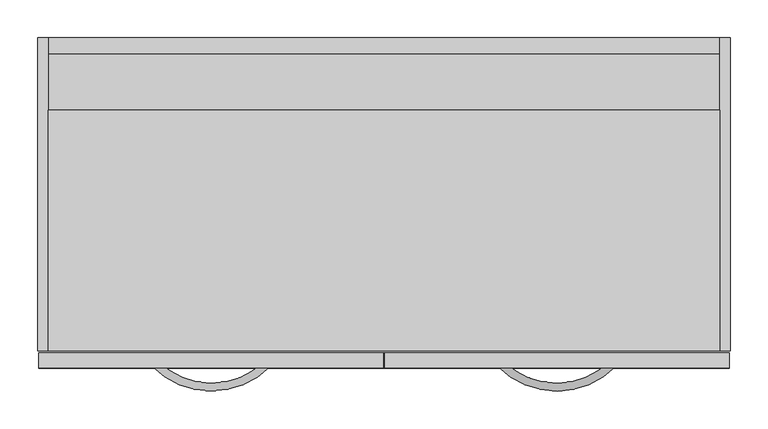
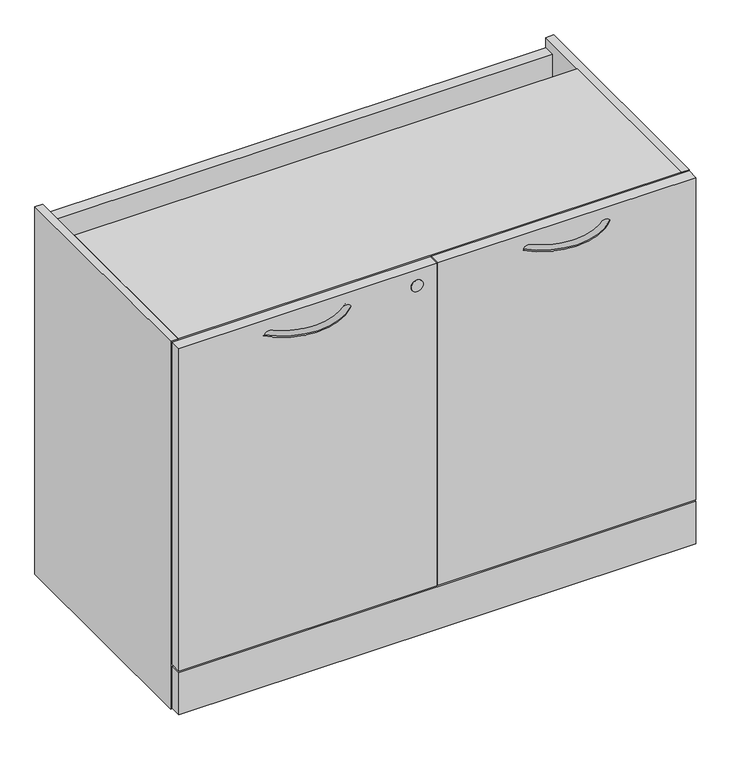
"""IFC4 building model written with IfcOpenShell, lengths in millimetres: furniture geometry."""

import ifcopenshell
import ifcopenshell.guid

model = None  # the IFC model being written
_history = None  # IfcOwnerHistory: only IFC2X3 demands one
_inside = {}  # id of a spatial element -> (the spatial element, [elements in it])
_under = {}  # id of a project, library or spatial element -> (it, [spatial elements below it])
_declared = {}  # id of a project -> (the project, [libraries it declares])
_typed = {}  # id of a type object -> (the type object, [elements of that type])
_made_of = {}  # id of a material, layer set ... -> (it, [elements and type objects made of it])


def new_model(schema):
    """Start an empty IFC model of exactly this schema.

    Asked for "IFC4X3", IfcOpenShell would pick the latest addendum, in which some entities
    have other attributes; the version numbers below select the first issue.
    IFC2X3 requires an IfcOwnerHistory on every rooted entity: one is made here for all.
    """
    global model, _history
    if schema == "IFC4X3":
        model = ifcopenshell.file(schema_version=(4, 3, 0, 0))
    else:
        model = ifcopenshell.file(schema=schema)
    _inside.clear()
    _under.clear()
    _declared.clear()
    _typed.clear()
    _made_of.clear()
    _history = None
    if model.schema == "IFC2X3":
        org = make("IfcOrganization", Name="unknown")
        user = make(
            "IfcPersonAndOrganization",
            ThePerson=make("IfcPerson", FamilyName="unknown"),
            TheOrganization=org,
        )
        app = make(
            "IfcApplication",
            ApplicationDeveloper=org,
            Version="unknown",
            ApplicationFullName="unknown",
            ApplicationIdentifier="unknown",
        )
        _history = make(
            "IfcOwnerHistory",
            OwningUser=user,
            OwningApplication=app,
            ChangeAction="ADDED",
            CreationDate=0,
        )
    return model


def make(cls, **values):
    """One entity of the class cls with the attributes given. An attribute that is None is left unset."""
    return model.create_entity(
        cls, **{name: value for name, value in values.items() if value is not None}
    )


def rooted(cls, **values):
    """An entity with a GlobalId (a new one), such as an element, a storey or a relation."""
    return make(cls, GlobalId=ifcopenshell.guid.new(), OwnerHistory=_history, **values)


def si_unit(unit_type, name, prefix=None):
    """IfcSIUnit, for example si_unit("LENGTHUNIT", "METRE", prefix="MILLI")."""
    return make("IfcSIUnit", UnitType=unit_type, Prefix=prefix, Name=name)


def assignment(units):
    """IfcUnitAssignment: the units of a project."""
    return None if units is None else make("IfcUnitAssignment", Units=units)


def point(xyz):
    """IfcCartesianPoint."""
    return None if xyz is None else make("IfcCartesianPoint", Coordinates=xyz)


def direction(xyz):
    """IfcDirection."""
    return None if xyz is None else make("IfcDirection", DirectionRatios=xyz)


def frame(location, z_axis=None, x_axis=None):
    """IfcAxis2Placement3D, a coordinate frame: its origin and axes. An axis left out is left unset."""
    return make(
        "IfcAxis2Placement3D",
        Location=point(location),
        Axis=direction(z_axis),
        RefDirection=direction(x_axis),
    )


def frame_2d(location, x_axis=None):
    """IfcAxis2Placement2D, a coordinate frame in the plane: its origin and x axis."""
    return make(
        "IfcAxis2Placement2D", Location=point(location), RefDirection=direction(x_axis)
    )


def origin():
    """The frame at (0, 0, 0) with its axes left unset."""
    return frame((0.0, 0.0, 0.0))


def origin_with_axes():
    """The frame at (0, 0, 0) with the z axis (0, 0, 1) and the x axis (1, 0, 0) written out."""
    return frame((0.0, 0.0, 0.0), z_axis=(0.0, 0.0, 1.0), x_axis=(1.0, 0.0, 0.0))


def place(relative_to, where):
    """IfcLocalPlacement: puts the frame where relative to a parent placement (None: the world)."""
    return make(
        "IfcLocalPlacement", PlacementRelTo=relative_to, RelativePlacement=where
    )


def context(
    kind, dimensions, precision=None, world=None, true_north=None, identifier=None
):
    """IfcGeometricRepresentationContext, for example the 3D "Model" context."""
    return make(
        "IfcGeometricRepresentationContext",
        ContextIdentifier=identifier,
        ContextType=kind,
        CoordinateSpaceDimension=dimensions,
        Precision=precision,
        WorldCoordinateSystem=world,
        TrueNorth=true_north,
    )


def project(units=None, contexts=None):
    """IfcProject with its units and contexts."""
    return rooted(
        "IfcProject",
        Name="project",
        RepresentationContexts=contexts,
        UnitsInContext=assignment(units),
    )


def spatial(cls, under=None, at=None, **own):
    """A site, building, storey or space (cls), placed at a placement, below another one or the project."""
    s = rooted(cls, ObjectPlacement=at, **own)
    if under is not None:
        _under.setdefault(under.id(), (under, []))[1].append(s)
    return s


def polyline(points):
    """IfcPolyline through the points."""
    return make("IfcPolyline", Points=[point(p) for p in points])


def circle_curve(where, radius):
    """IfcCircle in the frame where."""
    return make("IfcCircle", Position=where, Radius=radius)


def ellipse_curve(where, semi_axis1, semi_axis2):
    """IfcEllipse in the frame where."""
    return make(
        "IfcEllipse", Position=where, SemiAxis1=semi_axis1, SemiAxis2=semi_axis2
    )


def trimmed(basis, trim1, trim2, sense, master):
    """IfcTrimmedCurve: the piece of a basis curve between two trims."""
    return make(
        "IfcTrimmedCurve",
        BasisCurve=basis,
        Trim1=trim1,
        Trim2=trim2,
        SenseAgreement=sense,
        MasterRepresentation=master,
    )


def segment(curve, same_sense, transition):
    """IfcCompositeCurveSegment."""
    return make(
        "IfcCompositeCurveSegment",
        Transition=transition,
        SameSense=same_sense,
        ParentCurve=curve,
    )


def composite_curve(segments, self_intersect=None):
    """IfcCompositeCurve: segments joined end to end."""
    return make("IfcCompositeCurve", Segments=segments, SelfIntersect=self_intersect)


def outline(outer, holes=None, kind="AREA"):
    """IfcArbitraryClosedProfileDef: a profile drawn as a closed curve; with holes, ...WithVoids."""
    if holes is None:
        return make("IfcArbitraryClosedProfileDef", ProfileType=kind, OuterCurve=outer)
    return make(
        "IfcArbitraryProfileDefWithVoids",
        ProfileType=kind,
        OuterCurve=outer,
        InnerCurves=holes,
    )


def extrude(swept, where, along, depth):
    """IfcExtrudedAreaSolid: the profile swept, set in the frame where, extruded along a direction by depth."""
    return make(
        "IfcExtrudedAreaSolid",
        SweptArea=swept,
        Position=where,
        ExtrudedDirection=direction(along),
        Depth=depth,
    )


def shape(context_of_items, identifier, shape_type, items):
    """IfcShapeRepresentation: the items that make up one representation, for example the "Body"."""
    return make(
        "IfcShapeRepresentation",
        ContextOfItems=context_of_items,
        RepresentationIdentifier=identifier,
        RepresentationType=shape_type,
        Items=items,
    )


def source(mapping_origin, context_of_items, identifier, shape_type, items):
    """IfcRepresentationMap: a shape defined once, which mapped items show again and again."""
    return make(
        "IfcRepresentationMap",
        MappingOrigin=mapping_origin,
        MappedRepresentation=shape(context_of_items, identifier, shape_type, items),
    )


def transform(
    local_origin,
    x_axis=None,
    y_axis=None,
    z_axis=None,
    scale=None,
    scale2=None,
    scale3=None,
    uniform=True,
):
    """IfcCartesianTransformationOperator3D, or its non-uniform kind. x_axis, y_axis, z_axis: its Axis1, 2, 3."""
    if uniform:
        return make(
            "IfcCartesianTransformationOperator3D",
            Axis1=direction(x_axis),
            Axis2=direction(y_axis),
            LocalOrigin=point(local_origin),
            Scale=scale,
            Axis3=direction(z_axis),
        )
    return make(
        "IfcCartesianTransformationOperator3DnonUniform",
        Axis1=direction(x_axis),
        Axis2=direction(y_axis),
        LocalOrigin=point(local_origin),
        Scale=scale,
        Axis3=direction(z_axis),
        Scale2=scale2,
        Scale3=scale3,
    )


def mapped(mapping_source, mapping_target):
    """IfcMappedItem: shows the shape of a source again, moved by a transform."""
    return make(
        "IfcMappedItem", MappingSource=mapping_source, MappingTarget=mapping_target
    )


def made_of(thing, what):
    """Note that an element or type object is made of a material, layer set ...; save() writes the relation."""
    if what is not None:
        _made_of.setdefault(what.id(), (what, []))[1].append(thing)
    return thing


def element(
    cls,
    number,
    at=None,
    inside=None,
    cuts=None,
    type_object=None,
    material=None,
    context=None,
    identifier="Body",
    shape_type=None,
    held_by="IfcProductDefinitionShape",
    body=None,
    shapes=None,
    **own,
):
    """One element of the class cls, such as IfcWall. Its Tag is "e" and its number.

    at: its placement. inside: the storey or other place that contains it. cuts: it is an
    opening in that element (IfcRelVoidsElement). A single representation is given by context,
    identifier, shape_type and body (its items); several are given by shapes. held_by: the class
    of the entity that holds the representations. save() writes the other relations.
    """
    e = rooted(cls, Tag="e%d" % number, ObjectPlacement=at, **own)
    if body is not None:
        shapes = [shape(context, identifier, shape_type, body)]
    if shapes is not None:
        e.Representation = make(held_by, Representations=shapes)
    if inside is not None:
        _inside.setdefault(inside.id(), (inside, []))[1].append(e)
    if cuts is not None:
        rooted(
            "IfcRelVoidsElement", RelatingBuildingElement=cuts, RelatedOpeningElement=e
        )
    if type_object is not None:
        _typed.setdefault(type_object.id(), (type_object, []))[1].append(e)
    return made_of(e, material)


def aggregate(whole, parts):
    """IfcRelAggregates: a whole, such as a stair, and the parts it consists of."""
    return rooted("IfcRelAggregates", RelatingObject=whole, RelatedObjects=parts)


def save(model, path):
    """Write the relations noted so far, then the file.

    IfcRelAggregates (storeys below a building ...), IfcRelContainedInSpatialStructure (elements
    in a storey), IfcRelDefinesByType, IfcRelAssociatesMaterial and IfcRelDeclares: one each for
    every whole, place, type object, material and project.
    """
    for whole, parts in _under.values():
        aggregate(whole, parts)
    for where, things in _inside.values():
        rooted(
            "IfcRelContainedInSpatialStructure",
            RelatedElements=things,
            RelatingStructure=where,
        )
    for kind, things in _typed.values():
        rooted("IfcRelDefinesByType", RelatedObjects=things, RelatingType=kind)
    for what, things in _made_of.values():
        rooted("IfcRelAssociatesMaterial", RelatedObjects=things, RelatingMaterial=what)
    for by, libraries in _declared.values():
        rooted("IfcRelDeclares", RelatingContext=by, RelatedDefinitions=libraries)
    model.write(path)


def plane_surface(at):
    """IfcPlane: the flat surface through the origin of the frame at, square to its z axis."""
    return make("IfcPlane", Position=at)


def revolved_surface(curve, axis_point, axis_direction):
    """IfcSurfaceOfRevolution: the curve turned about the line through axis_point along axis_direction."""
    return make(
        "IfcSurfaceOfRevolution",
        SweptCurve=make("IfcArbitraryOpenProfileDef", ProfileType="CURVE", Curve=curve),
        AxisPosition=make("IfcAxis1Placement", Location=point(axis_point), Axis=direction(axis_direction)),
    )


def advanced_brep(points, edges, surfaces, faces):
    """IfcAdvancedBrep: a solid bounded by faces that lie on surfaces and meet in shared edges.

    An edge is (start, end): straight between two places in points (the first is 0);
    or (start, end, curve); or (start, end, curve, False) where it runs against its curve.
    A face is (place in surfaces, loops), or (place, loops, False) where it looks against
    its surface's normal. A loop lists edges by number (the first is 1), with a minus sign
    where the edge is run from its end to its start. The first loop is the outer one.
    """
    corners = [point(p) for p in points]
    vertices = [make("IfcVertexPoint", VertexGeometry=c) for c in corners]
    made = []
    for start, end, *more in edges:
        made.append(
            make(
                "IfcEdgeCurve",
                EdgeStart=vertices[start],
                EdgeEnd=vertices[end],
                EdgeGeometry=more[0] if more else make("IfcPolyline", Points=[corners[start], corners[end]]),
                SameSense=more[1] if len(more) > 1 else True,
            )
        )
    hull = []
    for where, loops, *sense in faces:
        bounds = []
        for j, loop in enumerate(loops):
            ring = [make("IfcOrientedEdge", EdgeElement=made[abs(k) - 1], Orientation=k > 0) for k in loop]
            bounds.append(
                make(
                    "IfcFaceOuterBound" if j == 0 else "IfcFaceBound",
                    Bound=make("IfcEdgeLoop", EdgeList=ring),
                    Orientation=True,
                )
            )
        hull.append(make("IfcAdvancedFace", Bounds=bounds, FaceSurface=surfaces[where], SameSense=sense[0] if sense else True))
    return make("IfcAdvancedBrep", Outer=make("IfcClosedShell", CfsFaces=hull))


def furniture_5ce63386(model_context):
    return source(origin(), model_context, "Body", "SolidModel", [
        advanced_brep(
        [(282.6264749, 8.5864322, 670.1744451), (289.7823469, 1.3740057, 670.1744451), (141.7636534, 9.140876, 670.1744451), (134.551227, 1.985004, 670.1744451)],
        [
            (0, 1, circle_curve(frame((286.2044109, 4.9802189, 670.1744451), z_axis=(0.7098844935595596, 0.7043181140675622, 0.0), x_axis=(0.7043181140675622, -0.7098844935595596, 0.0)), 5.08)),
            (1, 0, circle_curve(frame((286.2044109, 4.9802189, 670.1744451), z_axis=(0.7098844935595596, 0.7043181140675622, 0.0), x_axis=(0.7043181140675622, -0.7098844935595596, 0.0)), 5.08)),
            (2, 3, circle_curve(frame((138.1574402, 5.56294, 670.1744451), z_axis=(-0.7043181140675633, 0.7098844935595585, 0.0), x_axis=(-0.7098844935595585, -0.7043181140675633, 0.0)), 5.08)),
            (3, 2, circle_curve(frame((138.1574402, 5.56294, 670.1744451), z_axis=(-0.7043181140675633, 0.7098844935595585, 0.0), x_axis=(-0.7098844935595585, -0.7043181140675633, 0.0)), 5.08)),
            (3, 1, circle_curve(frame((212.4722861, 79.2950648, 670.1744451), z_axis=(0.0, 0.0, 1.0), x_axis=(0.7043181140675623, -0.7098844935595595, 0.0)), 109.7658278)),
            (0, 2, circle_curve(frame((212.4722861, 79.2950648, 670.1744451), z_axis=(0.0, 0.0, -1.0), x_axis=(0.7043181140675623, -0.7098844935595595, 0.0)), 99.6058278)),
        ],
        [
            plane_surface(frame((286.2593315, 4.9248642, 670.1234375), z_axis=(0.7098844935595596, 0.7043181140675623, 0.0), x_axis=(0.0, 0.0, 1.0))),
            plane_surface(frame((138.1020855, 5.5080193, 670.1234375), z_axis=(-0.7043181140675635, 0.7098844935595584, 0.0), x_axis=(0.0, 0.0, 1.0))),
            revolved_surface(trimmed(ellipse_curve(frame((286.2044109, 4.9802189, 670.1744451), z_axis=(0.7098844935595596, 0.7043181140675622, 0.0), x_axis=(0.7043181140675622, -0.7098844935595596, 0.0)), 5.08, 5.08), [point((282.6264749, 8.5864322, 670.1744451))], [point((289.7823469, 1.3740057, 670.1744451))], True, "CARTESIAN"), (212.4722861, 79.2950648, 670.1234375), (0.0, 0.0, -1.0)),
            revolved_surface(trimmed(ellipse_curve(frame((286.2044109, 4.9802189, 670.1744451), z_axis=(0.7098844935595596, 0.7043181140675622, 0.0), x_axis=(0.7043181140675622, -0.7098844935595596, 0.0)), 5.08, 5.08), [point((289.7823469, 1.3740057, 670.1744451))], [point((282.6264749, 8.5864322, 670.1744451))], True, "CARTESIAN"), (212.4722861, 79.2950648, 670.1234375), (0.0, 0.0, -1.0)),
        ],
        [
            (0, [[1, 2]]),
            (1, [[3, 4]]),
            (2, [[5, -1, 6, -4]]),
            (3, [[-6, -2, -5, -3]]),
        ],
    ),
        advanced_brep(
        [(591.7256514, 1.374494, 670.1744451), (598.882523, 8.5859286, 670.1744451), (746.95759, 1.9854962, 670.1744451), (739.7441718, 9.1403684, 670.1744451)],
        [
            (0, 1, circle_curve(frame((595.3040872, 4.9802113, 670.1744451), z_axis=(-0.7097868691191443, 0.704416496418165, 0.0), x_axis=(0.704416496418165, 0.7097868691191443, 0.0)), 5.08)),
            (1, 0, circle_curve(frame((595.3040872, 4.9802113, 670.1744451), z_axis=(-0.7097868691191443, 0.704416496418165, 0.0), x_axis=(0.704416496418165, 0.7097868691191443, 0.0)), 5.08)),
            (2, 3, circle_curve(frame((743.3508809, 5.5629323, 670.1744451), z_axis=(0.7042197120899962, 0.7099821104111587, 0.0), x_axis=(-0.7099821104111587, 0.7042197120899962, 0.0)), 5.08)),
            (3, 2, circle_curve(frame((743.3508809, 5.5629323, 670.1744451), z_axis=(0.7042197120899962, 0.7099821104111587, 0.0), x_axis=(-0.7099821104111587, 0.7042197120899962, 0.0)), 5.08)),
            (3, 1, circle_curve(frame((669.0362043, 79.2744518, 670.1744451), z_axis=(0.0, 0.0, -1.0), x_axis=(-0.704416496418165, -0.7097868691191443, 0.0)), 99.591196)),
            (0, 2, circle_curve(frame((669.0362043, 79.2744518, 670.1744451), z_axis=(0.0, 0.0, 1.0), x_axis=(-0.704416496418165, -0.7097868691191443, 0.0)), 109.751196)),
        ],
        [
            plane_surface(frame((595.2491588, 4.9248642, 670.1234375), z_axis=(-0.7097868691191445, 0.7044164964181651, 0.0), x_axis=(0.0, 0.0, 1.0))),
            plane_surface(frame((743.4062432, 5.5080193, 670.1234375), z_axis=(0.7042197120899963, 0.7099821104111588, 0.0), x_axis=(0.0, 0.0, 1.0))),
            revolved_surface(trimmed(ellipse_curve(frame((595.3040872, 4.9802113, 670.1744451), z_axis=(-0.7097868691191443, 0.704416496418165, 0.0), x_axis=(0.704416496418165, 0.7097868691191443, 0.0)), 5.08, 5.08), [point((591.7256514, 1.374494, 670.1744451))], [point((598.882523, 8.5859286, 670.1744451))], True, "CARTESIAN"), (669.0362043, 79.2744518, 670.1234375), (0.0, 0.0, 1.0)),
            revolved_surface(trimmed(ellipse_curve(frame((595.3040872, 4.9802113, 670.1744451), z_axis=(-0.7097868691191443, 0.704416496418165, 0.0), x_axis=(0.704416496418165, 0.7097868691191443, 0.0)), 5.08, 5.08), [point((598.882523, 8.5859286, 670.1744451))], [point((591.7256514, 1.374494, 670.1744451))], True, "CARTESIAN"), (669.0362043, 79.2744518, 670.1234375), (0.0, 0.0, 1.0)),
        ],
        [
            (0, [[1, 2]]),
            (1, [[3, 4]]),
            (2, [[5, -1, 6, -4]]),
            (3, [[-6, -2, -5, -3]]),
        ],
    ),
        extrude(outline(composite_curve([segment(trimmed(circle_curve(frame_2d((667.7664372, 404.8376746)), 10.668), [point((667.7664372, 394.1696746))], [point((667.7664372, 415.5056746))], False, "CARTESIAN"), True, "CONTINUOUS"), segment(trimmed(circle_curve(frame_2d((667.7664372, 404.8376746)), 10.668), [point((667.7664372, 415.5056746))], [point((667.7664372, 394.1696746))], False, "CARTESIAN"), True, "CONTINUOUS")], self_intersect=False)), frame((0.0, -0.5079459, 0.0), z_axis=(0.0, 1.0, 0.0), x_axis=(0.0, 0.0, 1.0)), (0.0, 0.0, 1.0), 0.5079459),
        extrude(outline(composite_curve([segment(trimmed(circle_curve(frame_2d((19.0968082, 401.2823789)), 14.478), [point((4.6188082, 401.2823789))], [point((33.5748082, 401.2823789))], False, "CARTESIAN"), True, "CONTINUOUS"), segment(trimmed(circle_curve(frame_2d((19.0968082, 401.2823789)), 14.478), [point((33.5748082, 401.2823789))], [point((4.6188082, 401.2823789))], False, "CARTESIAN"), True, "CONTINUOUS")], self_intersect=False)), origin_with_axes(), (0.0, 0.0, 1.0), 12.7),
        extrude(outline(composite_curve([segment(trimmed(circle_curve(frame_2d((19.0968082, 55.3254588)), 14.478), [point((4.6188082, 55.3254588))], [point((33.5748082, 55.3254588))], False, "CARTESIAN"), True, "CONTINUOUS"), segment(trimmed(circle_curve(frame_2d((19.0968082, 55.3254588)), 14.478), [point((33.5748082, 55.3254588))], [point((4.6188082, 55.3254588))], False, "CARTESIAN"), True, "CONTINUOUS")], self_intersect=False)), origin_with_axes(), (0.0, 0.0, 1.0), 12.7),
        extrude(outline(composite_curve([segment(trimmed(circle_curve(frame_2d((861.8419262, 401.2823789)), 14.478), [point((847.3639262, 401.2823789))], [point((876.3199262, 401.2823789))], False, "CARTESIAN"), True, "CONTINUOUS"), segment(trimmed(circle_curve(frame_2d((861.8419262, 401.2823789)), 14.478), [point((876.3199262, 401.2823789))], [point((847.3639262, 401.2823789))], False, "CARTESIAN"), True, "CONTINUOUS")], self_intersect=False)), origin_with_axes(), (0.0, 0.0, 1.0), 12.7),
        extrude(outline(composite_curve([segment(trimmed(circle_curve(frame_2d((861.8419262, 55.3254588)), 14.478), [point((847.3639262, 55.3254588))], [point((876.3199262, 55.3254588))], False, "CARTESIAN"), True, "CONTINUOUS"), segment(trimmed(circle_curve(frame_2d((861.8419262, 55.3254588)), 14.478), [point((876.3199262, 55.3254588))], [point((847.3639262, 55.3254588))], False, "CARTESIAN"), True, "CONTINUOUS")], self_intersect=False)), origin_with_axes(), (0.0, 0.0, 1.0), 12.7),
        extrude(outline(polyline([(896.4562901, -5.41e-05), (-14.9477997, -5.41e-05), (-14.9477997, 20.1673196), (896.4562901, 20.1673196), (896.4562901, -5.41e-05)])), frame((0.0, 0.0, 15.1892005), z_axis=(0.0, 0.0, 1.0), x_axis=(1.0, 0.0, 0.0)), (0.0, 0.0, 1.0), 78.4098011),
        extrude(outline(polyline([(439.8923719, 0.0), (-14.9477997, 0.0), (-14.9477997, 20.1673196), (439.8923719, 20.1673196), (439.8923719, 0.0)])), frame((0.0, 0.0, 96.5962023), z_axis=(0.0, 0.0, 1.0), x_axis=(1.0, 0.0, 0.0)), (0.0, 0.0, 1.0), 600.621124),
        extrude(outline(polyline([(896.4562901, 0.0), (441.6161185, 0.0), (441.6161185, 20.1673196), (896.4562901, 20.1673196), (896.4562901, 0.0)])), frame((0.0, 0.0, 96.5962023), z_axis=(0.0, 0.0, 1.0), x_axis=(1.0, 0.0, 0.0)), (0.0, 0.0, 1.0), 600.621124),
        extrude(outline(polyline([(415.9235505, 678.6499277), (436.626, 678.6499277), (436.626, 12.7), (22.5805444, 12.7), (22.5805444, 48.5394019), (415.9235505, 48.5394019), (415.9235505, 390.8454182), (22.5805444, 390.8454182), (22.5805444, 409.8954182), (415.9235505, 409.8954182), (415.9235505, 678.6499277)])), frame((-2.6276215, 0.0, 0.0), z_axis=(1.0, 0.0, 0.0), x_axis=(0.0, 1.0, 0.0)), (0.0, 0.0, 1.0), 886.7639434),
        extrude(outline(polyline([(884.1363219, 340.7179967), (884.1363219, 22.5805444), (-2.6276215, 22.5805444), (-2.6276215, 340.7179967), (884.1363219, 340.7179967)])), frame((0.0, 0.0, 678.6499277), z_axis=(0.0, 0.0, 1.0), x_axis=(1.0, 0.0, 0.0)), (0.0, 0.0, 1.0), 19.0499723),
        extrude(outline(polyline([(-2.6276215, 436.626), (-2.6276215, 22.5805444), (-16.4460781, 22.5805444), (-16.4460781, 436.626), (-2.6276215, 436.626)])), frame((0.0, 0.0, 12.7), z_axis=(0.0, 0.0, 1.0), x_axis=(1.0, 0.0, 0.0)), (0.0, 0.0, 1.0), 684.9999),
        extrude(outline(polyline([(897.9539219, 436.626), (897.9539219, 22.5805444), (884.1363219, 22.5805444), (884.1363219, 436.626), (897.9539219, 436.626)])), frame((0.0, 0.0, 12.7), z_axis=(0.0, 0.0, 1.0), x_axis=(1.0, 0.0, 0.0)), (0.0, 0.0, 1.0), 684.9999),
    ])


if __name__ == "__main__":
    model = new_model("IFC4")
    model_context = context("Model", 3, world=origin())
    ifc_project = project(units=[si_unit("LENGTHUNIT", "METRE", prefix="MILLI")], contexts=[model_context])
    site = spatial("IfcSite", under=ifc_project)
    building = spatial("IfcBuilding", under=site)
    placement = place(None, origin())
    furniture_shape = furniture_5ce63386(model_context)
    element("IfcFurniture", 1, at=placement, inside=building, context=model_context, shape_type="MappedRepresentation", body=[
        mapped(furniture_shape, transform((0.0, 0.0, 0.0), x_axis=(1.0, 0.0, 0.0), y_axis=(0.0, 1.0, 0.0), z_axis=(0.0, 0.0, 1.0))),
    ])
    save(model, "model.ifc")
